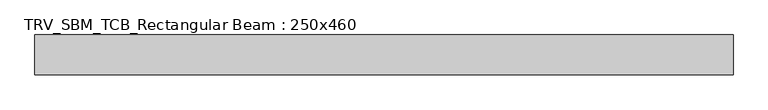
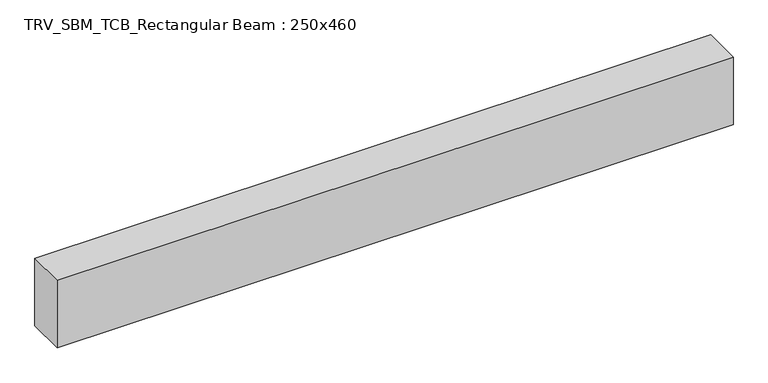
"""IFC4 building model written with IfcOpenShell, lengths in millimetres: beam geometry, TRV_SBM_TCB_Rectangular Beam : 250x460."""

from ifc_helpers import new_model, si_unit, frame, origin, place, context, project, spatial, polyline, outline, extrude, source, transform, mapped, element, save


def trv_sbm_tcb_rectangular_beam_250x460_528bfb7e(model_context):
    return source(origin(), model_context, "Body", "SweptSolid", [
        extrude(outline(polyline([(2181.7, 125.0), (2181.7, -125.0), (-2181.7, -125.0), (-2181.7, 125.0), (2181.7, 125.0)])), frame((0.0, 0.0, -230.0), z_axis=(0.0, 0.0, 1.0), x_axis=(1.0, 0.0, 0.0)), (0.0, 0.0, 1.0), 460.0),
    ])


if __name__ == "__main__":
    model = new_model("IFC4")
    model_context = context("Model", 3, world=origin())
    ifc_project = project(units=[si_unit("LENGTHUNIT", "METRE", prefix="MILLI")], contexts=[model_context])
    site = spatial("IfcSite", under=ifc_project)
    building = spatial("IfcBuilding", under=site)
    placement = place(None, origin())
    trv_sbm_tcb_rectangular_beam_250x460_shape = trv_sbm_tcb_rectangular_beam_250x460_528bfb7e(model_context)
    element("IfcBeam", 1, ObjectType="TRV_SBM_TCB_Rectangular Beam : 250x460", at=placement, inside=building, context=model_context, shape_type="MappedRepresentation", body=[
        mapped(trv_sbm_tcb_rectangular_beam_250x460_shape, transform((0.0, 0.0, 0.0), x_axis=(1.0, 0.0, 0.0), y_axis=(0.0, 1.0, 0.0), z_axis=(0.0, 0.0, 1.0))),
    ])
    save(model, "model.ifc")
